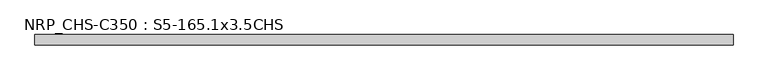
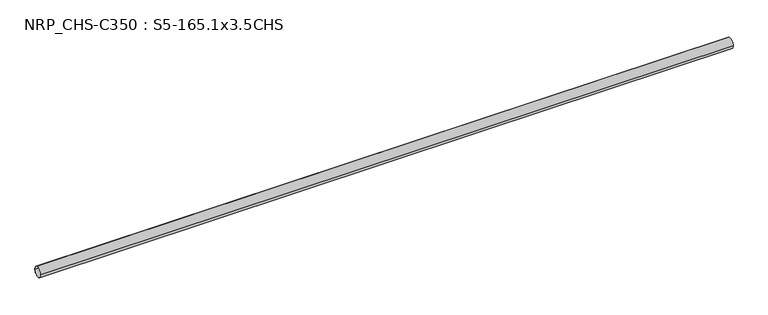
"""IFC4 building model written with IfcOpenShell, lengths in millimetres: beam geometry, NRP_CHS-C350 : S5-165.1x3.5CHS."""

from ifc_helpers import new_model, si_unit, point, frame, origin, origin_2d, place, context, project, spatial, circle_curve, trimmed, segment, composite_curve, outline, extrude, source, transform, mapped, element, save


def nrp_chs_c350_s5_165_1x3_5chs_821129ca(model_context):
    return source(origin(), model_context, "Body", "SweptSolid", [
        extrude(outline(composite_curve([segment(trimmed(circle_curve(origin_2d(), 82.55), [point((-82.55, 0.0))], [point((82.55, 0.0))], False, "CARTESIAN"), True, "CONTINUOUS"), segment(trimmed(circle_curve(origin_2d(), 82.55), [point((82.55, 0.0))], [point((-82.55, 0.0))], False, "CARTESIAN"), True, "CONTINUOUS")], self_intersect=False), holes=[composite_curve([segment(trimmed(circle_curve(origin_2d(), 79.05), [point((79.05, 0.0))], [point((-79.05, 0.0))], True, "CARTESIAN"), True, "CONTINUOUS"), segment(trimmed(circle_curve(origin_2d(), 79.05), [point((-79.05, 0.0))], [point((79.05, 0.0))], True, "CARTESIAN"), True, "CONTINUOUS")], self_intersect=False)]), frame((-5512.3, 0.0, 0.0), z_axis=(1.0, 0.0, 0.0), x_axis=(0.0, 1.0, 0.0)), (0.0, 0.0, 1.0), 11012.1),
    ])


if __name__ == "__main__":
    model = new_model("IFC4")
    model_context = context("Model", 3, world=origin())
    ifc_project = project(units=[si_unit("LENGTHUNIT", "METRE", prefix="MILLI")], contexts=[model_context])
    site = spatial("IfcSite", under=ifc_project)
    building = spatial("IfcBuilding", under=site)
    placement = place(None, origin())
    nrp_chs_c350_s5_165_1x3_5chs_shape = nrp_chs_c350_s5_165_1x3_5chs_821129ca(model_context)
    element("IfcBeam", 1, ObjectType="NRP_CHS-C350 : S5-165.1x3.5CHS", at=placement, inside=building, context=model_context, shape_type="MappedRepresentation", body=[
        mapped(nrp_chs_c350_s5_165_1x3_5chs_shape, transform((0.0, 0.0, 0.0), x_axis=(1.0, 0.0, 0.0), y_axis=(0.0, 1.0, 0.0), z_axis=(0.0, 0.0, 1.0))),
    ])
    save(model, "model.ifc")
